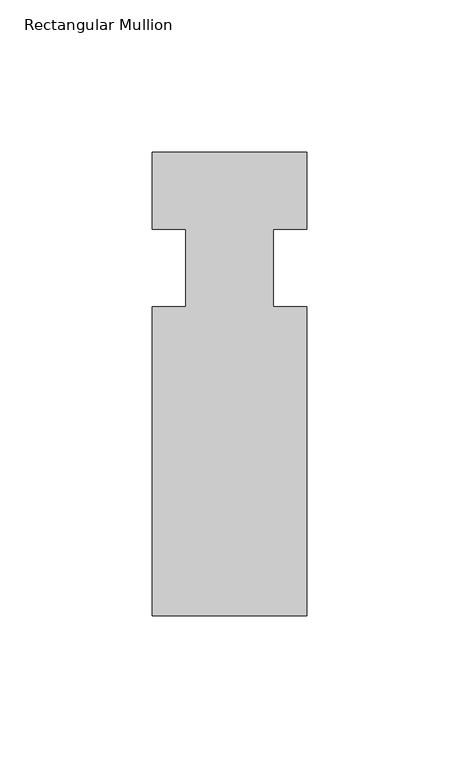
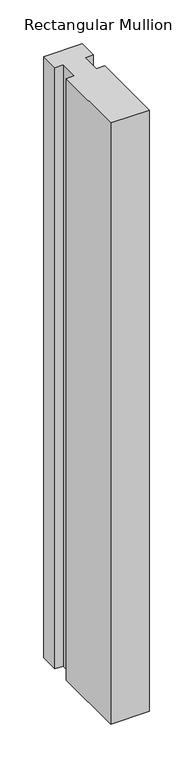
"""IFC4 building model written with IfcOpenShell, lengths in millimetres: member geometry, Rectangular Mullion."""

from ifc_helpers import new_model, si_unit, frame, origin, place, context, project, spatial, polyline, outline, extrude, source, transform, mapped, element, save


def rectangular_mullion_504cedb8(model_context):
    return source(origin(), model_context, "Body", "SweptSolid", [
        extrude(outline(polyline([(-50.8, 0.0), (0.0, 0.0), (0.0, -25.4), (-11.001375, -25.4), (-11.001375, -50.8), (0.0, -50.8), (0.0, -152.4), (-50.8, -152.4), (-50.8, -50.8), (-39.798625, -50.8), (-39.798625, -25.4), (-50.8, -25.4), (-50.8, 0.0)])), frame((0.0, 0.0, -838.2001903), z_axis=(0.0, 0.0, 1.0), x_axis=(1.0, 0.0, 0.0)), (0.0, 0.0, 1.0), 838.2001903),
    ])


if __name__ == "__main__":
    model = new_model("IFC4")
    model_context = context("Model", 3, world=origin())
    ifc_project = project(units=[si_unit("LENGTHUNIT", "METRE", prefix="MILLI")], contexts=[model_context])
    site = spatial("IfcSite", under=ifc_project)
    building = spatial("IfcBuilding", under=site)
    placement = place(None, origin())
    rectangular_mullion_shape = rectangular_mullion_504cedb8(model_context)
    element("IfcMember", 1, ObjectType="Rectangular Mullion", at=placement, inside=building, context=model_context, shape_type="MappedRepresentation", body=[
        mapped(rectangular_mullion_shape, transform((0.0, 0.0, 0.0), x_axis=(1.0, 0.0, 0.0), y_axis=(0.0, 1.0, 0.0), z_axis=(0.0, 0.0, 1.0))),
    ])
    save(model, "model.ifc")
